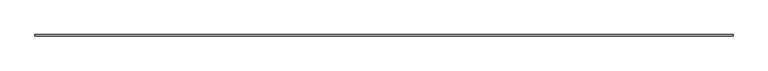
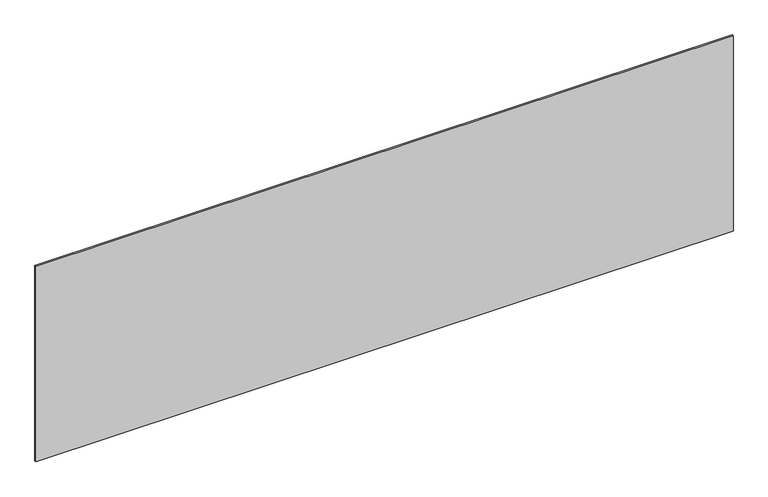
"""IFC4 building model written with IfcOpenShell, lengths in millimetres: plate geometry."""

from ifc_helpers import new_model, si_unit, origin, origin_with_axes, place, context, project, spatial, polyline, outline, extrude, source, transform, mapped, element, save


def plate_239037d2(model_context):
    return source(origin(), model_context, "Body", "SweptSolid", [
        extrude(outline(polyline([(2206.6666667, -5.0), (-2206.6666667, -5.0), (-2206.6666667, 5.0), (2206.6666667, 5.0), (2206.6666667, -5.0)])), origin_with_axes(), (0.0, 0.0, 1.0), 1308.5896702),
    ])


if __name__ == "__main__":
    model = new_model("IFC4")
    model_context = context("Model", 3, world=origin())
    ifc_project = project(units=[si_unit("LENGTHUNIT", "METRE", prefix="MILLI")], contexts=[model_context])
    site = spatial("IfcSite", under=ifc_project)
    building = spatial("IfcBuilding", under=site)
    placement = place(None, origin())
    plate_shape = plate_239037d2(model_context)
    element("IfcPlate", 1, at=placement, inside=building, context=model_context, shape_type="MappedRepresentation", body=[
        mapped(plate_shape, transform((0.0, 0.0, 0.0), x_axis=(1.0, 0.0, 0.0), y_axis=(0.0, 1.0, 0.0), z_axis=(0.0, 0.0, 1.0))),
    ])
    save(model, "model.ifc")
